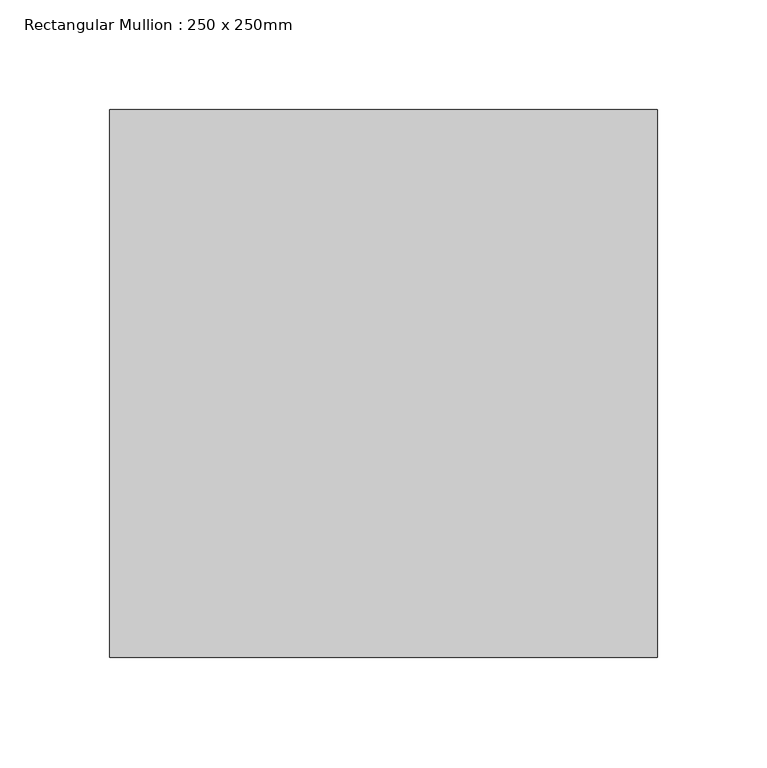
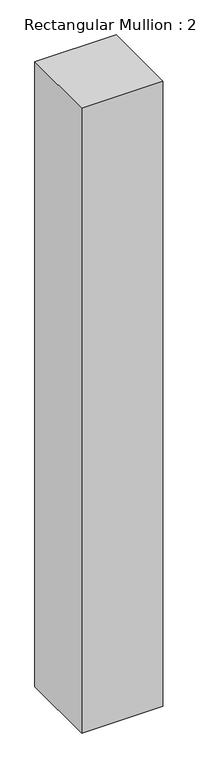
"""IFC4 building model written with IfcOpenShell, lengths in millimetres: member geometry, Rectangular Mullion : 250 x 250mm."""

import ifcopenshell
import ifcopenshell.guid

model = None  # the IFC model being written
_history = None  # IfcOwnerHistory: only IFC2X3 demands one
_inside = {}  # id of a spatial element -> (the spatial element, [elements in it])
_under = {}  # id of a project, library or spatial element -> (it, [spatial elements below it])
_declared = {}  # id of a project -> (the project, [libraries it declares])
_typed = {}  # id of a type object -> (the type object, [elements of that type])
_made_of = {}  # id of a material, layer set ... -> (it, [elements and type objects made of it])


def new_model(schema):
    """Start an empty IFC model of exactly this schema.

    Asked for "IFC4X3", IfcOpenShell would pick the latest addendum, in which some entities
    have other attributes; the version numbers below select the first issue.
    IFC2X3 requires an IfcOwnerHistory on every rooted entity: one is made here for all.
    """
    global model, _history
    if schema == "IFC4X3":
        model = ifcopenshell.file(schema_version=(4, 3, 0, 0))
    else:
        model = ifcopenshell.file(schema=schema)
    _inside.clear()
    _under.clear()
    _declared.clear()
    _typed.clear()
    _made_of.clear()
    _history = None
    if model.schema == "IFC2X3":
        org = make("IfcOrganization", Name="unknown")
        user = make(
            "IfcPersonAndOrganization",
            ThePerson=make("IfcPerson", FamilyName="unknown"),
            TheOrganization=org,
        )
        app = make(
            "IfcApplication",
            ApplicationDeveloper=org,
            Version="unknown",
            ApplicationFullName="unknown",
            ApplicationIdentifier="unknown",
        )
        _history = make(
            "IfcOwnerHistory",
            OwningUser=user,
            OwningApplication=app,
            ChangeAction="ADDED",
            CreationDate=0,
        )
    return model


def make(cls, **values):
    """One entity of the class cls with the attributes given. An attribute that is None is left unset."""
    return model.create_entity(
        cls, **{name: value for name, value in values.items() if value is not None}
    )


def rooted(cls, **values):
    """An entity with a GlobalId (a new one), such as an element, a storey or a relation."""
    return make(cls, GlobalId=ifcopenshell.guid.new(), OwnerHistory=_history, **values)


def si_unit(unit_type, name, prefix=None):
    """IfcSIUnit, for example si_unit("LENGTHUNIT", "METRE", prefix="MILLI")."""
    return make("IfcSIUnit", UnitType=unit_type, Prefix=prefix, Name=name)


def assignment(units):
    """IfcUnitAssignment: the units of a project."""
    return None if units is None else make("IfcUnitAssignment", Units=units)


def point(xyz):
    """IfcCartesianPoint."""
    return None if xyz is None else make("IfcCartesianPoint", Coordinates=xyz)


def direction(xyz):
    """IfcDirection."""
    return None if xyz is None else make("IfcDirection", DirectionRatios=xyz)


def frame(location, z_axis=None, x_axis=None):
    """IfcAxis2Placement3D, a coordinate frame: its origin and axes. An axis left out is left unset."""
    return make(
        "IfcAxis2Placement3D",
        Location=point(location),
        Axis=direction(z_axis),
        RefDirection=direction(x_axis),
    )


def origin():
    """The frame at (0, 0, 0) with its axes left unset."""
    return frame((0.0, 0.0, 0.0))


def place(relative_to, where):
    """IfcLocalPlacement: puts the frame where relative to a parent placement (None: the world)."""
    return make(
        "IfcLocalPlacement", PlacementRelTo=relative_to, RelativePlacement=where
    )


def context(
    kind, dimensions, precision=None, world=None, true_north=None, identifier=None
):
    """IfcGeometricRepresentationContext, for example the 3D "Model" context."""
    return make(
        "IfcGeometricRepresentationContext",
        ContextIdentifier=identifier,
        ContextType=kind,
        CoordinateSpaceDimension=dimensions,
        Precision=precision,
        WorldCoordinateSystem=world,
        TrueNorth=true_north,
    )


def project(units=None, contexts=None):
    """IfcProject with its units and contexts."""
    return rooted(
        "IfcProject",
        Name="project",
        RepresentationContexts=contexts,
        UnitsInContext=assignment(units),
    )


def spatial(cls, under=None, at=None, **own):
    """A site, building, storey or space (cls), placed at a placement, below another one or the project."""
    s = rooted(cls, ObjectPlacement=at, **own)
    if under is not None:
        _under.setdefault(under.id(), (under, []))[1].append(s)
    return s


def polyline(points):
    """IfcPolyline through the points."""
    return make("IfcPolyline", Points=[point(p) for p in points])


def outline(outer, holes=None, kind="AREA"):
    """IfcArbitraryClosedProfileDef: a profile drawn as a closed curve; with holes, ...WithVoids."""
    if holes is None:
        return make("IfcArbitraryClosedProfileDef", ProfileType=kind, OuterCurve=outer)
    return make(
        "IfcArbitraryProfileDefWithVoids",
        ProfileType=kind,
        OuterCurve=outer,
        InnerCurves=holes,
    )


def extrude(swept, where, along, depth):
    """IfcExtrudedAreaSolid: the profile swept, set in the frame where, extruded along a direction by depth."""
    return make(
        "IfcExtrudedAreaSolid",
        SweptArea=swept,
        Position=where,
        ExtrudedDirection=direction(along),
        Depth=depth,
    )


def shape(context_of_items, identifier, shape_type, items):
    """IfcShapeRepresentation: the items that make up one representation, for example the "Body"."""
    return make(
        "IfcShapeRepresentation",
        ContextOfItems=context_of_items,
        RepresentationIdentifier=identifier,
        RepresentationType=shape_type,
        Items=items,
    )


def source(mapping_origin, context_of_items, identifier, shape_type, items):
    """IfcRepresentationMap: a shape defined once, which mapped items show again and again."""
    return make(
        "IfcRepresentationMap",
        MappingOrigin=mapping_origin,
        MappedRepresentation=shape(context_of_items, identifier, shape_type, items),
    )


def transform(
    local_origin,
    x_axis=None,
    y_axis=None,
    z_axis=None,
    scale=None,
    scale2=None,
    scale3=None,
    uniform=True,
):
    """IfcCartesianTransformationOperator3D, or its non-uniform kind. x_axis, y_axis, z_axis: its Axis1, 2, 3."""
    if uniform:
        return make(
            "IfcCartesianTransformationOperator3D",
            Axis1=direction(x_axis),
            Axis2=direction(y_axis),
            LocalOrigin=point(local_origin),
            Scale=scale,
            Axis3=direction(z_axis),
        )
    return make(
        "IfcCartesianTransformationOperator3DnonUniform",
        Axis1=direction(x_axis),
        Axis2=direction(y_axis),
        LocalOrigin=point(local_origin),
        Scale=scale,
        Axis3=direction(z_axis),
        Scale2=scale2,
        Scale3=scale3,
    )


def mapped(mapping_source, mapping_target):
    """IfcMappedItem: shows the shape of a source again, moved by a transform."""
    return make(
        "IfcMappedItem", MappingSource=mapping_source, MappingTarget=mapping_target
    )


def made_of(thing, what):
    """Note that an element or type object is made of a material, layer set ...; save() writes the relation."""
    if what is not None:
        _made_of.setdefault(what.id(), (what, []))[1].append(thing)
    return thing


def element(
    cls,
    number,
    at=None,
    inside=None,
    cuts=None,
    type_object=None,
    material=None,
    context=None,
    identifier="Body",
    shape_type=None,
    held_by="IfcProductDefinitionShape",
    body=None,
    shapes=None,
    **own,
):
    """One element of the class cls, such as IfcWall. Its Tag is "e" and its number.

    at: its placement. inside: the storey or other place that contains it. cuts: it is an
    opening in that element (IfcRelVoidsElement). A single representation is given by context,
    identifier, shape_type and body (its items); several are given by shapes. held_by: the class
    of the entity that holds the representations. save() writes the other relations.
    """
    e = rooted(cls, Tag="e%d" % number, ObjectPlacement=at, **own)
    if body is not None:
        shapes = [shape(context, identifier, shape_type, body)]
    if shapes is not None:
        e.Representation = make(held_by, Representations=shapes)
    if inside is not None:
        _inside.setdefault(inside.id(), (inside, []))[1].append(e)
    if cuts is not None:
        rooted(
            "IfcRelVoidsElement", RelatingBuildingElement=cuts, RelatedOpeningElement=e
        )
    if type_object is not None:
        _typed.setdefault(type_object.id(), (type_object, []))[1].append(e)
    return made_of(e, material)


def aggregate(whole, parts):
    """IfcRelAggregates: a whole, such as a stair, and the parts it consists of."""
    return rooted("IfcRelAggregates", RelatingObject=whole, RelatedObjects=parts)


def save(model, path):
    """Write the relations noted so far, then the file.

    IfcRelAggregates (storeys below a building ...), IfcRelContainedInSpatialStructure (elements
    in a storey), IfcRelDefinesByType, IfcRelAssociatesMaterial and IfcRelDeclares: one each for
    every whole, place, type object, material and project.
    """
    for whole, parts in _under.values():
        aggregate(whole, parts)
    for where, things in _inside.values():
        rooted(
            "IfcRelContainedInSpatialStructure",
            RelatedElements=things,
            RelatingStructure=where,
        )
    for kind, things in _typed.values():
        rooted("IfcRelDefinesByType", RelatedObjects=things, RelatingType=kind)
    for what, things in _made_of.values():
        rooted("IfcRelAssociatesMaterial", RelatedObjects=things, RelatingMaterial=what)
    for by, libraries in _declared.values():
        rooted("IfcRelDeclares", RelatingContext=by, RelatedDefinitions=libraries)
    model.write(path)


def rectangular_mullion_250_x_250mm_b3c5204b(model_context):
    return source(origin(), model_context, "Body", "SweptSolid", [
        extrude(outline(polyline([(0.0, 125.0), (0.0, -125.0), (-250.0, -125.0), (-250.0, 125.0), (0.0, 125.0)])), frame((0.0, 0.0, -2034.0317715), z_axis=(0.0, 0.0, 1.0), x_axis=(1.0, 0.0, 0.0)), (0.0, 0.0, 1.0), 2034.0317715),
    ])


if __name__ == "__main__":
    model = new_model("IFC4")
    model_context = context("Model", 3, world=origin())
    ifc_project = project(units=[si_unit("LENGTHUNIT", "METRE", prefix="MILLI")], contexts=[model_context])
    site = spatial("IfcSite", under=ifc_project)
    building = spatial("IfcBuilding", under=site)
    placement = place(None, origin())
    rectangular_mullion_250_x_250mm_shape = rectangular_mullion_250_x_250mm_b3c5204b(model_context)
    element("IfcMember", 1, ObjectType="Rectangular Mullion : 250 x 250mm", at=placement, inside=building, context=model_context, shape_type="MappedRepresentation", body=[
        mapped(rectangular_mullion_250_x_250mm_shape, transform((0.0, 0.0, 0.0), x_axis=(1.0, 0.0, 0.0), y_axis=(0.0, 1.0, 0.0), z_axis=(0.0, 0.0, 1.0))),
    ])
    save(model, "model.ifc")
